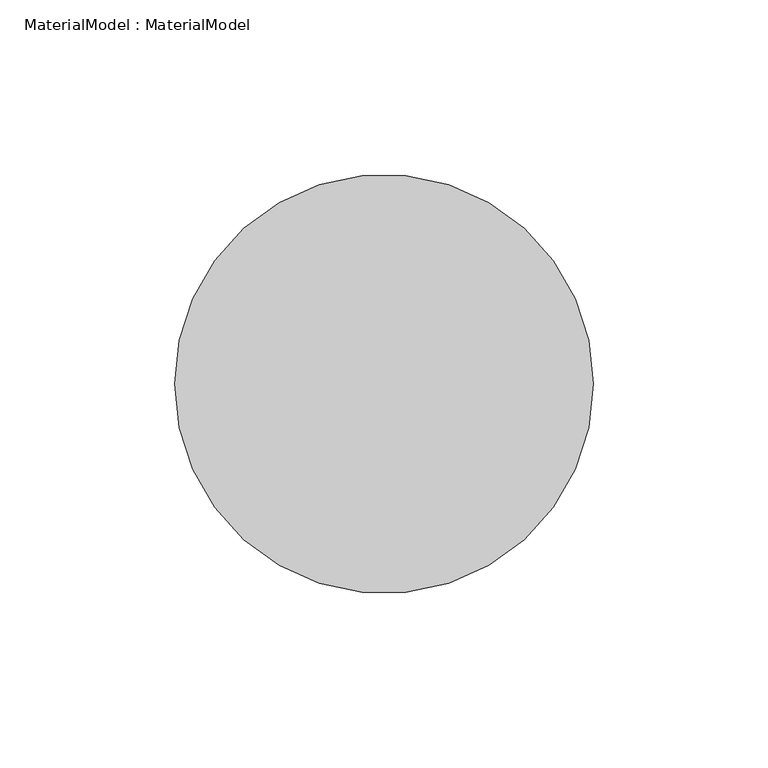
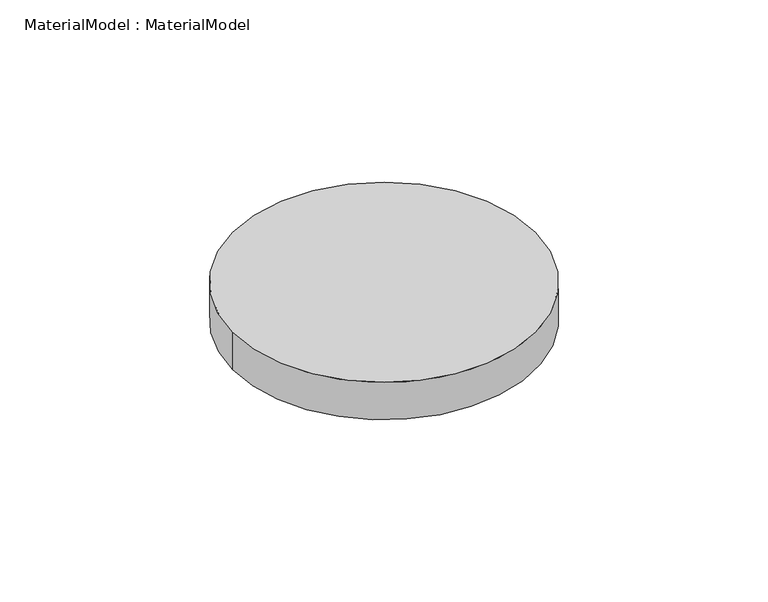
"""IFC4 building model written with IfcOpenShell, lengths in millimetres: proxy geometry, MaterialModel : MaterialModel."""

from ifc_helpers import new_model, si_unit, point, origin, origin_with_axes, origin_2d, place, context, project, spatial, circle_curve, trimmed, segment, composite_curve, outline, extrude, source, transform, mapped, element, save


def materialmodel_materialmodel_e06f5e47(model_context):
    return source(origin(), model_context, "Body", "SweptSolid", [
        extrude(outline(composite_curve([segment(trimmed(circle_curve(origin_2d(), 60.0), [point((-60.0, 0.0))], [point((60.0, 0.0))], False, "CARTESIAN"), True, "CONTINUOUS"), segment(trimmed(circle_curve(origin_2d(), 60.0), [point((60.0, 0.0))], [point((-60.0, 0.0))], False, "CARTESIAN"), True, "CONTINUOUS")], self_intersect=False)), origin_with_axes(), (0.0, 0.0, 1.0), 15.6926098),
    ])


if __name__ == "__main__":
    model = new_model("IFC4")
    model_context = context("Model", 3, world=origin())
    ifc_project = project(units=[si_unit("LENGTHUNIT", "METRE", prefix="MILLI")], contexts=[model_context])
    site = spatial("IfcSite", under=ifc_project)
    building = spatial("IfcBuilding", under=site)
    placement = place(None, origin())
    materialmodel_materialmodel_shape = materialmodel_materialmodel_e06f5e47(model_context)
    element("IfcBuildingElementProxy", 1, Name="MaterialModel : MaterialModel", ObjectType="MaterialModel : MaterialModel", at=placement, inside=building, context=model_context, shape_type="MappedRepresentation", body=[
        mapped(materialmodel_materialmodel_shape, transform((0.0, 0.0, 0.0), x_axis=(1.0, 0.0, 0.0), y_axis=(0.0, 1.0, 0.0), z_axis=(0.0, 0.0, 1.0))),
    ])
    save(model, "model.ifc")
